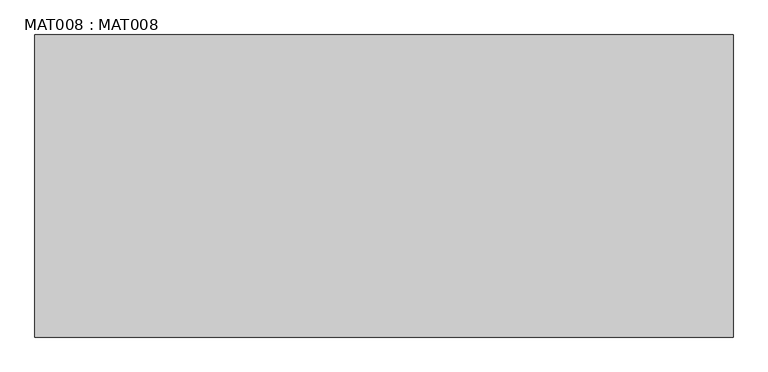
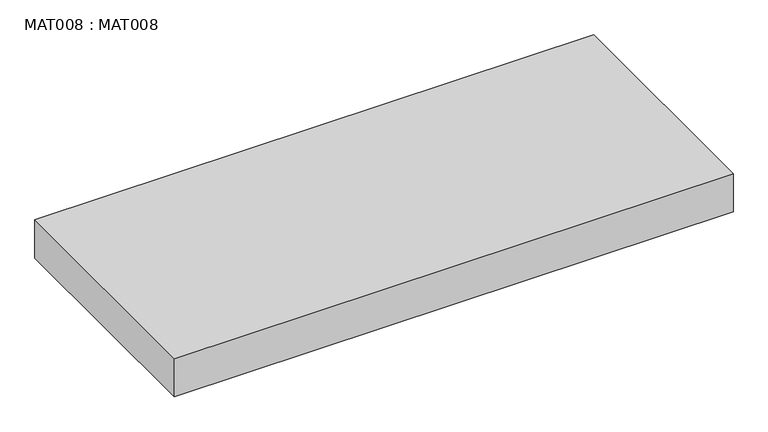
"""IFC4 building model written with IfcOpenShell, lengths in millimetres: proxy geometry, MAT008 : MAT008."""

from ifc_helpers import new_model, si_unit, origin, origin_with_axes, place, context, project, spatial, polyline, outline, extrude, source, transform, mapped, element, save


def mat008_mat008_420c072b(model_context):
    return source(origin(), model_context, "Body", "SweptSolid", [
        extrude(outline(polyline([(2079.9999287, -900.0000069), (0.0, -900.0000069), (0.0, 0.0), (2079.9999287, 0.0), (2079.9999287, -900.0000069)])), origin_with_axes(), (0.0, 0.0, 1.0), 150.0000011),
    ])


if __name__ == "__main__":
    model = new_model("IFC4")
    model_context = context("Model", 3, world=origin())
    ifc_project = project(units=[si_unit("LENGTHUNIT", "METRE", prefix="MILLI")], contexts=[model_context])
    site = spatial("IfcSite", under=ifc_project)
    building = spatial("IfcBuilding", under=site)
    placement = place(None, origin())
    mat008_mat008_shape = mat008_mat008_420c072b(model_context)
    element("IfcBuildingElementProxy", 1, Name="MAT008 : MAT008", ObjectType="MAT008 : MAT008", at=placement, inside=building, context=model_context, shape_type="MappedRepresentation", body=[
        mapped(mat008_mat008_shape, transform((0.0, 0.0, 0.0), x_axis=(1.0, 0.0, 0.0), y_axis=(0.0, 1.0, 0.0), z_axis=(0.0, 0.0, 1.0))),
    ])
    save(model, "model.ifc")
